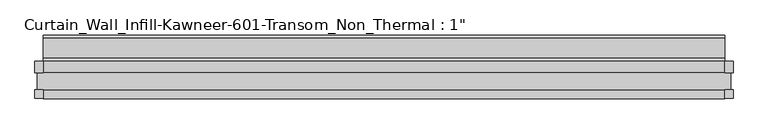
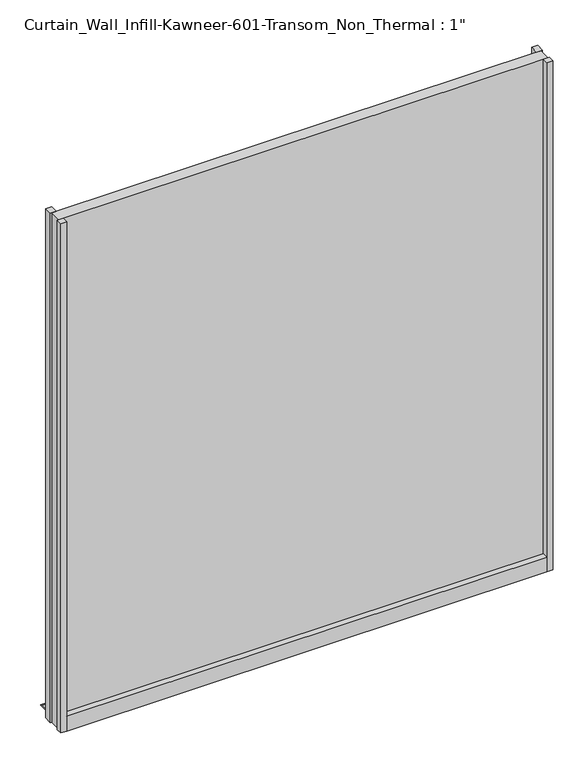
"""IFC4 building model written with IfcOpenShell, lengths in millimetres: plate geometry."""

import ifcopenshell
import ifcopenshell.guid

model = None  # the IFC model being written
_history = None  # IfcOwnerHistory: only IFC2X3 demands one
_inside = {}  # id of a spatial element -> (the spatial element, [elements in it])
_under = {}  # id of a project, library or spatial element -> (it, [spatial elements below it])
_declared = {}  # id of a project -> (the project, [libraries it declares])
_typed = {}  # id of a type object -> (the type object, [elements of that type])
_made_of = {}  # id of a material, layer set ... -> (it, [elements and type objects made of it])


def new_model(schema):
    """Start an empty IFC model of exactly this schema.

    Asked for "IFC4X3", IfcOpenShell would pick the latest addendum, in which some entities
    have other attributes; the version numbers below select the first issue.
    IFC2X3 requires an IfcOwnerHistory on every rooted entity: one is made here for all.
    """
    global model, _history
    if schema == "IFC4X3":
        model = ifcopenshell.file(schema_version=(4, 3, 0, 0))
    else:
        model = ifcopenshell.file(schema=schema)
    _inside.clear()
    _under.clear()
    _declared.clear()
    _typed.clear()
    _made_of.clear()
    _history = None
    if model.schema == "IFC2X3":
        org = make("IfcOrganization", Name="unknown")
        user = make(
            "IfcPersonAndOrganization",
            ThePerson=make("IfcPerson", FamilyName="unknown"),
            TheOrganization=org,
        )
        app = make(
            "IfcApplication",
            ApplicationDeveloper=org,
            Version="unknown",
            ApplicationFullName="unknown",
            ApplicationIdentifier="unknown",
        )
        _history = make(
            "IfcOwnerHistory",
            OwningUser=user,
            OwningApplication=app,
            ChangeAction="ADDED",
            CreationDate=0,
        )
    return model


def make(cls, **values):
    """One entity of the class cls with the attributes given. An attribute that is None is left unset."""
    return model.create_entity(
        cls, **{name: value for name, value in values.items() if value is not None}
    )


def rooted(cls, **values):
    """An entity with a GlobalId (a new one), such as an element, a storey or a relation."""
    return make(cls, GlobalId=ifcopenshell.guid.new(), OwnerHistory=_history, **values)


def si_unit(unit_type, name, prefix=None):
    """IfcSIUnit, for example si_unit("LENGTHUNIT", "METRE", prefix="MILLI")."""
    return make("IfcSIUnit", UnitType=unit_type, Prefix=prefix, Name=name)


def assignment(units):
    """IfcUnitAssignment: the units of a project."""
    return None if units is None else make("IfcUnitAssignment", Units=units)


def point(xyz):
    """IfcCartesianPoint."""
    return None if xyz is None else make("IfcCartesianPoint", Coordinates=xyz)


def direction(xyz):
    """IfcDirection."""
    return None if xyz is None else make("IfcDirection", DirectionRatios=xyz)


def frame(location, z_axis=None, x_axis=None):
    """IfcAxis2Placement3D, a coordinate frame: its origin and axes. An axis left out is left unset."""
    return make(
        "IfcAxis2Placement3D",
        Location=point(location),
        Axis=direction(z_axis),
        RefDirection=direction(x_axis),
    )


def origin():
    """The frame at (0, 0, 0) with its axes left unset."""
    return frame((0.0, 0.0, 0.0))


def origin_with_axes():
    """The frame at (0, 0, 0) with the z axis (0, 0, 1) and the x axis (1, 0, 0) written out."""
    return frame((0.0, 0.0, 0.0), z_axis=(0.0, 0.0, 1.0), x_axis=(1.0, 0.0, 0.0))


def place(relative_to, where):
    """IfcLocalPlacement: puts the frame where relative to a parent placement (None: the world)."""
    return make(
        "IfcLocalPlacement", PlacementRelTo=relative_to, RelativePlacement=where
    )


def context(
    kind, dimensions, precision=None, world=None, true_north=None, identifier=None
):
    """IfcGeometricRepresentationContext, for example the 3D "Model" context."""
    return make(
        "IfcGeometricRepresentationContext",
        ContextIdentifier=identifier,
        ContextType=kind,
        CoordinateSpaceDimension=dimensions,
        Precision=precision,
        WorldCoordinateSystem=world,
        TrueNorth=true_north,
    )


def project(units=None, contexts=None):
    """IfcProject with its units and contexts."""
    return rooted(
        "IfcProject",
        Name="project",
        RepresentationContexts=contexts,
        UnitsInContext=assignment(units),
    )


def spatial(cls, under=None, at=None, **own):
    """A site, building, storey or space (cls), placed at a placement, below another one or the project."""
    s = rooted(cls, ObjectPlacement=at, **own)
    if under is not None:
        _under.setdefault(under.id(), (under, []))[1].append(s)
    return s


def polyline(points):
    """IfcPolyline through the points."""
    return make("IfcPolyline", Points=[point(p) for p in points])


def outline(outer, holes=None, kind="AREA"):
    """IfcArbitraryClosedProfileDef: a profile drawn as a closed curve; with holes, ...WithVoids."""
    if holes is None:
        return make("IfcArbitraryClosedProfileDef", ProfileType=kind, OuterCurve=outer)
    return make(
        "IfcArbitraryProfileDefWithVoids",
        ProfileType=kind,
        OuterCurve=outer,
        InnerCurves=holes,
    )


def extrude(swept, where, along, depth):
    """IfcExtrudedAreaSolid: the profile swept, set in the frame where, extruded along a direction by depth."""
    return make(
        "IfcExtrudedAreaSolid",
        SweptArea=swept,
        Position=where,
        ExtrudedDirection=direction(along),
        Depth=depth,
    )


def shape(context_of_items, identifier, shape_type, items):
    """IfcShapeRepresentation: the items that make up one representation, for example the "Body"."""
    return make(
        "IfcShapeRepresentation",
        ContextOfItems=context_of_items,
        RepresentationIdentifier=identifier,
        RepresentationType=shape_type,
        Items=items,
    )


def source(mapping_origin, context_of_items, identifier, shape_type, items):
    """IfcRepresentationMap: a shape defined once, which mapped items show again and again."""
    return make(
        "IfcRepresentationMap",
        MappingOrigin=mapping_origin,
        MappedRepresentation=shape(context_of_items, identifier, shape_type, items),
    )


def transform(
    local_origin,
    x_axis=None,
    y_axis=None,
    z_axis=None,
    scale=None,
    scale2=None,
    scale3=None,
    uniform=True,
):
    """IfcCartesianTransformationOperator3D, or its non-uniform kind. x_axis, y_axis, z_axis: its Axis1, 2, 3."""
    if uniform:
        return make(
            "IfcCartesianTransformationOperator3D",
            Axis1=direction(x_axis),
            Axis2=direction(y_axis),
            LocalOrigin=point(local_origin),
            Scale=scale,
            Axis3=direction(z_axis),
        )
    return make(
        "IfcCartesianTransformationOperator3DnonUniform",
        Axis1=direction(x_axis),
        Axis2=direction(y_axis),
        LocalOrigin=point(local_origin),
        Scale=scale,
        Axis3=direction(z_axis),
        Scale2=scale2,
        Scale3=scale3,
    )


def mapped(mapping_source, mapping_target):
    """IfcMappedItem: shows the shape of a source again, moved by a transform."""
    return make(
        "IfcMappedItem", MappingSource=mapping_source, MappingTarget=mapping_target
    )


def made_of(thing, what):
    """Note that an element or type object is made of a material, layer set ...; save() writes the relation."""
    if what is not None:
        _made_of.setdefault(what.id(), (what, []))[1].append(thing)
    return thing


def element(
    cls,
    number,
    at=None,
    inside=None,
    cuts=None,
    type_object=None,
    material=None,
    context=None,
    identifier="Body",
    shape_type=None,
    held_by="IfcProductDefinitionShape",
    body=None,
    shapes=None,
    **own,
):
    """One element of the class cls, such as IfcWall. Its Tag is "e" and its number.

    at: its placement. inside: the storey or other place that contains it. cuts: it is an
    opening in that element (IfcRelVoidsElement). A single representation is given by context,
    identifier, shape_type and body (its items); several are given by shapes. held_by: the class
    of the entity that holds the representations. save() writes the other relations.
    """
    e = rooted(cls, Tag="e%d" % number, ObjectPlacement=at, **own)
    if body is not None:
        shapes = [shape(context, identifier, shape_type, body)]
    if shapes is not None:
        e.Representation = make(held_by, Representations=shapes)
    if inside is not None:
        _inside.setdefault(inside.id(), (inside, []))[1].append(e)
    if cuts is not None:
        rooted(
            "IfcRelVoidsElement", RelatingBuildingElement=cuts, RelatedOpeningElement=e
        )
    if type_object is not None:
        _typed.setdefault(type_object.id(), (type_object, []))[1].append(e)
    return made_of(e, material)


def aggregate(whole, parts):
    """IfcRelAggregates: a whole, such as a stair, and the parts it consists of."""
    return rooted("IfcRelAggregates", RelatingObject=whole, RelatedObjects=parts)


def save(model, path):
    """Write the relations noted so far, then the file.

    IfcRelAggregates (storeys below a building ...), IfcRelContainedInSpatialStructure (elements
    in a storey), IfcRelDefinesByType, IfcRelAssociatesMaterial and IfcRelDeclares: one each for
    every whole, place, type object, material and project.
    """
    for whole, parts in _under.values():
        aggregate(whole, parts)
    for where, things in _inside.values():
        rooted(
            "IfcRelContainedInSpatialStructure",
            RelatedElements=things,
            RelatingStructure=where,
        )
    for kind, things in _typed.values():
        rooted("IfcRelDefinesByType", RelatedObjects=things, RelatingType=kind)
    for what, things in _made_of.values():
        rooted("IfcRelAssociatesMaterial", RelatedObjects=things, RelatingMaterial=what)
    for by, libraries in _declared.values():
        rooted("IfcRelDeclares", RelatingContext=by, RelatedDefinitions=libraries)
    model.write(path)


def plate_14dbcec5(model_context):
    return source(origin(), model_context, "Body", "SweptSolid", [
        extrude(outline(polyline([(508.58246, -25.2723869), (508.58246, -12.7), (521.28246, -12.7), (521.28246, -25.2723869), (508.58246, -25.2723869)])), origin_with_axes(), (0.0, 0.0, 1.0), 1139.8250628),
        extrude(outline(polyline([(521.28246, 30.2901131), (521.28246, 12.7), (508.58246, 12.7), (508.58246, 30.2901131), (521.28246, 30.2901131)])), origin_with_axes(), (0.0, 0.0, 1.0), 1139.8250628),
        extrude(outline(polyline([(-508.58246, -25.2723869), (-521.28246, -25.2723869), (-521.28246, -12.7), (-508.58246, -12.7), (-508.58246, -25.2723869)])), origin_with_axes(), (0.0, 0.0, 1.0), 1139.8250628),
        extrude(outline(polyline([(-521.28246, 30.2901131), (-508.58246, 30.2901131), (-508.58246, 12.7), (-521.28246, 12.7), (-521.28246, 30.2901131)])), origin_with_axes(), (0.0, 0.0, 1.0), 1139.8250628),
        extrude(outline(polyline([(-12.7, 33.3375), (-12.7, 23.8125), (12.7, 23.8125), (12.7, 33.3375), (30.2435382, 33.3375), (30.2435382, 6.3122662), (34.9431706, 3.7072174), (64.5512788, 3.7072174), (69.3036182, 0.963453), (69.3036182, 0.0), (-25.625216, 0.0), (-25.625216, 33.3375), (-12.7, 33.3375)])), frame((-508.58246, 0.0, 0.0), z_axis=(1.0, 0.0, 0.0), x_axis=(0.0, 1.0, 0.0)), (0.0, 0.0, 1.0), 1017.16492),
        extrude(outline(polyline([(-518.10746, -12.7), (-518.10746, 12.7), (518.10746, 12.7), (518.10746, -12.7), (-518.10746, -12.7)])), origin_with_axes(), (0.0, 0.0, 1.0), 1139.8250628),
    ])


if __name__ == "__main__":
    model = new_model("IFC4")
    model_context = context("Model", 3, world=origin())
    ifc_project = project(units=[si_unit("LENGTHUNIT", "METRE", prefix="MILLI")], contexts=[model_context])
    site = spatial("IfcSite", under=ifc_project)
    building = spatial("IfcBuilding", under=site)
    placement = place(None, origin())
    plate_shape = plate_14dbcec5(model_context)
    element("IfcPlate", 1, ObjectType="Curtain_Wall_Infill-Kawneer-601-Transom_Non_Thermal : 1\"", at=placement, inside=building, context=model_context, shape_type="MappedRepresentation", body=[
        mapped(plate_shape, transform((0.0, 0.0, 0.0), x_axis=(1.0, 0.0, 0.0), y_axis=(0.0, 1.0, 0.0), z_axis=(0.0, 0.0, 1.0))),
    ])
    save(model, "model.ifc")
